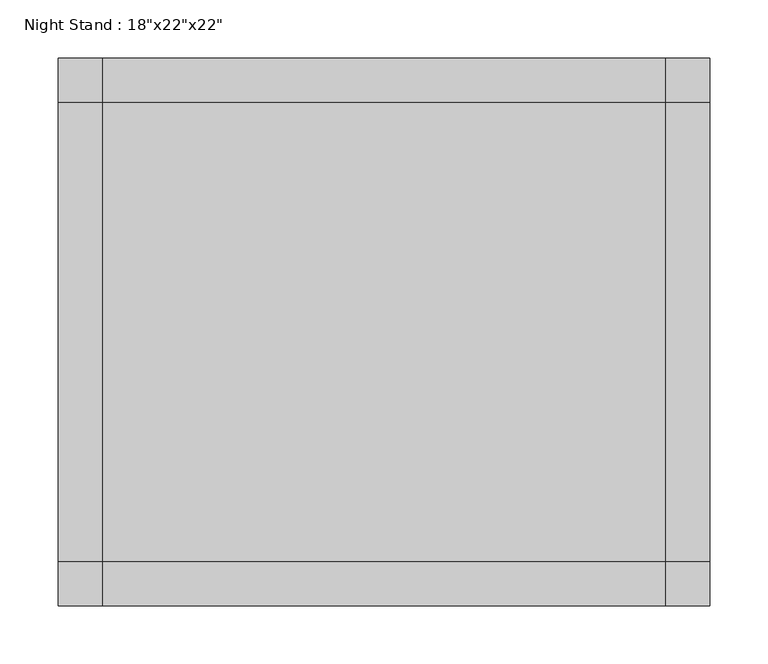
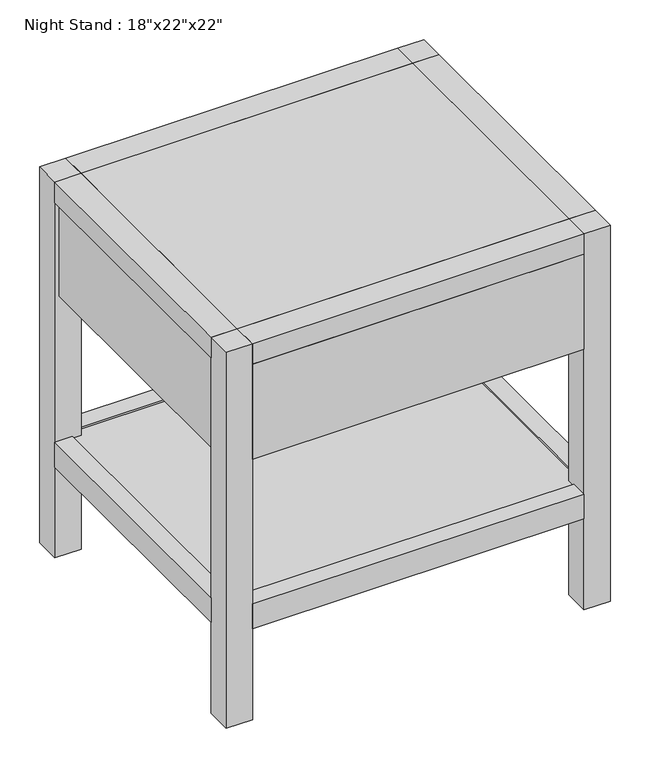
"""IFC4 building model written with IfcOpenShell, lengths in millimetres: furniture geometry."""

from ifc_helpers import new_model, si_unit, frame, origin, origin_with_axes, place, context, project, spatial, polyline, outline, extrude, source, transform, mapped, element, save


def furniture_0747f450(model_context):
    return source(origin(), model_context, "Body", "SweptSolid", [
        extrude(outline(polyline([(241.3, 196.85), (241.3, -196.85), (-241.3, -196.85), (-241.3, 196.85), (241.3, 196.85)])), frame((0.0, 0.0, 574.675), z_axis=(0.0, 0.0, 1.0), x_axis=(1.0, 0.0, 0.0)), (0.0, 0.0, 1.0), 3.175),
        extrude(outline(polyline([(241.3, 228.6), (241.3, 215.9), (-241.3, 215.9), (-241.3, 228.6), (241.3, 228.6)])), frame((0.0, 0.0, 400.05), z_axis=(0.0, 0.0, 1.0), x_axis=(1.0, 0.0, 0.0)), (0.0, 0.0, 1.0), 146.05),
        extrude(outline(polyline([(241.3, -215.9), (241.3, -234.95), (-241.3, -234.95), (-241.3, -215.9), (241.3, -215.9)])), frame((0.0, 0.0, 400.05), z_axis=(0.0, 0.0, 1.0), x_axis=(1.0, 0.0, 0.0)), (0.0, 0.0, 1.0), 146.05),
        extrude(outline(polyline([(-260.35, 196.85), (-260.35, -196.85), (-273.05, -196.85), (-273.05, 196.85), (-260.35, 196.85)])), frame((0.0, 0.0, 400.05), z_axis=(0.0, 0.0, 1.0), x_axis=(1.0, 0.0, 0.0)), (0.0, 0.0, 1.0), 146.05),
        extrude(outline(polyline([(273.05, 196.85), (273.05, -196.85), (260.35, -196.85), (260.35, 196.85), (273.05, 196.85)])), frame((0.0, 0.0, 400.05), z_axis=(0.0, 0.0, 1.0), x_axis=(1.0, 0.0, 0.0)), (0.0, 0.0, 1.0), 146.05),
        extrude(outline(polyline([(-241.3, 196.85), (-241.3, -196.85), (-279.4, -196.85), (-279.4, 196.85), (-241.3, 196.85)])), frame((0.0, 0.0, 546.1), z_axis=(0.0, 0.0, 1.0), x_axis=(1.0, 0.0, 0.0)), (0.0, 0.0, 1.0), 31.75),
        extrude(outline(polyline([(241.3, 196.85), (279.4, 196.85), (279.4, -196.85), (241.3, -196.85), (241.3, 196.85)])), frame((0.0, 0.0, 546.1), z_axis=(0.0, 0.0, 1.0), x_axis=(1.0, 0.0, 0.0)), (0.0, 0.0, 1.0), 31.75),
        extrude(outline(polyline([(241.3, 234.95), (241.3, 196.85), (-241.3, 196.85), (-241.3, 234.95), (241.3, 234.95)])), frame((0.0, 0.0, 546.1), z_axis=(0.0, 0.0, 1.0), x_axis=(1.0, 0.0, 0.0)), (0.0, 0.0, 1.0), 31.75),
        extrude(outline(polyline([(241.3, -196.85), (241.3, -234.95), (-241.3, -234.95), (-241.3, -196.85), (241.3, -196.85)])), frame((0.0, 0.0, 546.1), z_axis=(0.0, 0.0, 1.0), x_axis=(1.0, 0.0, 0.0)), (0.0, 0.0, 1.0), 31.75),
        extrude(outline(polyline([(254.0, 209.55), (254.0, -209.55), (-254.0, -209.55), (-254.0, 209.55), (254.0, 209.55)])), frame((0.0, 0.0, 155.575), z_axis=(0.0, 0.0, 1.0), x_axis=(1.0, 0.0, 0.0)), (0.0, 0.0, 1.0), 19.05),
        extrude(outline(polyline([(241.3, 234.95), (241.3, 209.55), (-241.3, 209.55), (-241.3, 234.95), (241.3, 234.95)])), frame((0.0, 0.0, 139.7), z_axis=(0.0, 0.0, 1.0), x_axis=(1.0, 0.0, 0.0)), (0.0, 0.0, 1.0), 38.1),
        extrude(outline(polyline([(241.3, -234.95), (-241.3, -234.95), (-241.3, -209.55), (241.3, -209.55), (241.3, -234.95)])), frame((0.0, 0.0, 139.7), z_axis=(0.0, 0.0, 1.0), x_axis=(1.0, 0.0, 0.0)), (0.0, 0.0, 1.0), 38.1),
        extrude(outline(polyline([(279.4, 196.85), (279.4, -196.85), (254.0, -196.85), (254.0, 196.85), (279.4, 196.85)])), frame((0.0, 0.0, 139.7), z_axis=(0.0, 0.0, 1.0), x_axis=(1.0, 0.0, 0.0)), (0.0, 0.0, 1.0), 38.1),
        extrude(outline(polyline([(-279.4, 196.85), (-254.0, 196.85), (-254.0, -196.85), (-279.4, -196.85), (-279.4, 196.85)])), frame((0.0, 0.0, 139.7), z_axis=(0.0, 0.0, 1.0), x_axis=(1.0, 0.0, 0.0)), (0.0, 0.0, 1.0), 38.1),
        extrude(outline(polyline([(-241.3, 234.95), (-241.3, 196.85), (-279.4, 196.85), (-279.4, 234.95), (-241.3, 234.95)])), origin_with_axes(), (0.0, 0.0, 1.0), 577.85),
        extrude(outline(polyline([(279.4, 234.95), (279.4, 196.85), (241.3, 196.85), (241.3, 234.95), (279.4, 234.95)])), origin_with_axes(), (0.0, 0.0, 1.0), 577.85),
        extrude(outline(polyline([(-241.3, -196.85), (-241.3, -234.95), (-279.4, -234.95), (-279.4, -196.85), (-241.3, -196.85)])), origin_with_axes(), (0.0, 0.0, 1.0), 577.85),
        extrude(outline(polyline([(279.4, -234.95), (241.3, -234.95), (241.3, -196.85), (279.4, -196.85), (279.4, -234.95)])), origin_with_axes(), (0.0, 0.0, 1.0), 577.85),
    ])


if __name__ == "__main__":
    model = new_model("IFC4")
    model_context = context("Model", 3, world=origin())
    ifc_project = project(units=[si_unit("LENGTHUNIT", "METRE", prefix="MILLI")], contexts=[model_context])
    site = spatial("IfcSite", under=ifc_project)
    building = spatial("IfcBuilding", under=site)
    placement = place(None, origin())
    furniture_shape = furniture_0747f450(model_context)
    element("IfcFurniture", 1, ObjectType="Night Stand : 18\"x22\"x22\"", at=placement, inside=building, context=model_context, shape_type="MappedRepresentation", body=[
        mapped(furniture_shape, transform((0.0, 0.0, 0.0), x_axis=(1.0, 0.0, 0.0), y_axis=(0.0, 1.0, 0.0), z_axis=(0.0, 0.0, 1.0))),
    ])
    save(model, "model.ifc")
